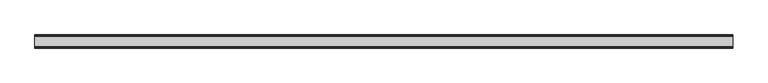
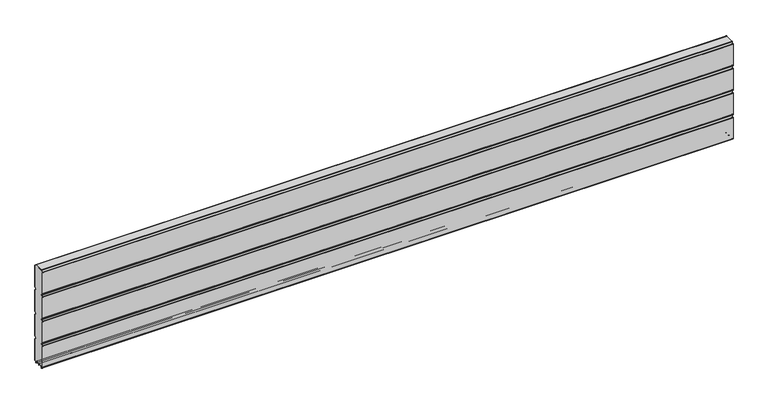
"""IFC4 building model written with IfcOpenShell, lengths in millimetres: plate geometry."""

from ifc_helpers import new_model, si_unit, point, frame, frame_2d, origin, place, context, project, spatial, polyline, circle_curve, trimmed, segment, composite_curve, outline, extrude, source, transform, mapped, element, save


def plate_d22e9f20(model_context):
    return source(origin(), model_context, "Body", "SweptSolid", [
        extrude(outline(composite_curve([segment(polyline([(-29.2650466, 451.7624879), (-35.7138292, 458.2112702)]), True, "CONTINUOUS"), segment(trimmed(circle_curve(frame_2d((-34.2991913, 459.6259081)), 2.0006001), [point((-35.7138292, 458.2112702))], [point((-36.2997914, 459.6259081))], False, "CARTESIAN"), True, "CONTINUOUS"), segment(polyline([(-36.2997914, 459.6259081), (-36.2997914, 588.874925)]), True, "CONTINUOUS"), segment(trimmed(circle_curve(frame_2d((-34.3025404, 588.8763112)), 1.9972515), [point((-36.2997914, 588.874925))], [point((-35.7145328, 590.2888589))], False, "CARTESIAN"), True, "CONTINUOUS"), segment(polyline([(-35.7145328, 590.2888589), (-27.7860861, 598.2141893)]), True, "CONTINUOUS"), segment(trimmed(circle_curve(frame_2d((-26.3717262, 596.7992733)), 2.0006002), [point((-27.7860861, 598.2141893))], [point((-26.3717262, 598.7998734))], False, "CARTESIAN"), True, "CONTINUOUS"), segment(polyline([(-26.3717262, 598.7998734), (26.3717262, 598.7998734)]), True, "CONTINUOUS"), segment(trimmed(circle_curve(frame_2d((26.3717262, 596.7992733)), 2.0006002), [point((26.3717262, 598.7998734))], [point((27.7860861, 598.2141893))], False, "CARTESIAN"), True, "CONTINUOUS"), segment(polyline([(27.7860861, 598.2141893), (35.7145328, 590.2888589)]), True, "CONTINUOUS"), segment(trimmed(circle_curve(frame_2d((34.3025404, 588.8763112)), 1.9972515), [point((35.7145328, 590.2888589))], [point((36.2997914, 588.874925))], False, "CARTESIAN"), True, "CONTINUOUS"), segment(polyline([(36.2997914, 588.874925), (36.2997914, 459.6259081)]), True, "CONTINUOUS"), segment(trimmed(circle_curve(frame_2d((34.2991913, 459.6259081)), 2.0006001), [point((36.2997914, 459.6259081))], [point((35.7138292, 458.2112702))], False, "CARTESIAN"), True, "CONTINUOUS"), segment(polyline([(35.7138292, 458.2112702), (29.2650466, 451.7624879)]), True, "CONTINUOUS"), segment(trimmed(circle_curve(frame_2d((31.5325895, 449.4949449)), 3.20679), [point((29.2650466, 451.7624879))], [point((29.114664, 447.3884934))], True, "CARTESIAN"), True, "CONTINUOUS"), segment(polyline([(29.114664, 447.3884934), (35.7138291, 440.7893285)]), True, "CONTINUOUS"), segment(trimmed(circle_curve(frame_2d((34.2991912, 439.3746906)), 2.0006001), [point((35.7138291, 440.7893285))], [point((36.2997913, 439.3746906))], False, "CARTESIAN"), True, "CONTINUOUS"), segment(polyline([(36.2997913, 439.3746906), (36.2997913, 309.6259081)]), True, "CONTINUOUS"), segment(trimmed(circle_curve(frame_2d((34.2991912, 309.6259081)), 2.0006001), [point((36.2997913, 309.6259081))], [point((35.7138291, 308.2112702))], False, "CARTESIAN"), True, "CONTINUOUS"), segment(polyline([(35.7138291, 308.2112702), (29.2650466, 301.7624879)]), True, "CONTINUOUS"), segment(trimmed(circle_curve(frame_2d((31.5325895, 299.4949449)), 3.20679), [point((29.2650466, 301.7624879))], [point((29.4261379, 297.0770195))], True, "CARTESIAN"), True, "CONTINUOUS"), segment(polyline([(29.4261379, 297.0770195), (35.7138291, 290.7893285)]), True, "CONTINUOUS"), segment(trimmed(circle_curve(frame_2d((34.2991912, 289.3746906)), 2.0006001), [point((35.7138291, 290.7893285))], [point((36.2997913, 289.3746906))], False, "CARTESIAN"), True, "CONTINUOUS"), segment(polyline([(36.2997913, 289.3746906), (36.2997913, 159.6246474)]), True, "CONTINUOUS"), segment(trimmed(circle_curve(frame_2d((34.2991912, 159.6246474)), 2.0006001), [point((36.2997913, 159.6246474))], [point((35.7138291, 158.2100095))], False, "CARTESIAN"), True, "CONTINUOUS"), segment(polyline([(35.7138291, 158.2100095), (29.2650466, 151.7612271)]), True, "CONTINUOUS"), segment(trimmed(circle_curve(frame_2d((31.5325895, 149.4936842)), 3.20679), [point((29.2650466, 151.7612271))], [point((29.114664, 147.3872326))], True, "CARTESIAN"), True, "CONTINUOUS"), segment(polyline([(29.114664, 147.3872326), (35.7138292, 140.7880678)]), True, "CONTINUOUS"), segment(trimmed(circle_curve(frame_2d((34.2991912, 139.3734299)), 2.0006001), [point((35.7138292, 140.7880678))], [point((36.2997914, 139.3734299))], False, "CARTESIAN"), True, "CONTINUOUS"), segment(polyline([(36.2997914, 139.3734299), (36.2997914, 10.1250796)]), True, "CONTINUOUS"), segment(trimmed(circle_curve(frame_2d((34.299192, 10.1250796)), 2.0005994), [point((36.2997914, 10.1250796))], [point((35.7138294, 8.7104422))], False, "CARTESIAN"), True, "CONTINUOUS"), segment(polyline([(35.7138294, 8.7104422), (28.7893255, 1.7859383)]), True, "CONTINUOUS"), segment(trimmed(circle_curve(frame_2d((27.3158157, 3.2594482)), 2.0838576), [point((28.7893255, 1.7859383))], [point((25.2327947, 3.2004014))], False, "CARTESIAN"), True, "CONTINUOUS"), segment(polyline([(25.2327947, 3.2004014), (25.2327947, 7.9999453)]), True, "CONTINUOUS"), segment(trimmed(circle_curve(frame_2d((22.0323933, 7.9999453)), 3.2004014), [point((25.2327947, 7.9999453))], [point((22.0323933, 11.2003467))], True, "CARTESIAN"), True, "CONTINUOUS"), segment(polyline([(22.0323933, 11.2003467), (3.1993432, 11.2003467)]), True, "CONTINUOUS"), segment(trimmed(circle_curve(frame_2d((3.1993432, 8.0010035)), 3.1993432), [point((3.1993432, 11.2003467))], [point((0.0, 8.0010035))], True, "CARTESIAN"), True, "CONTINUOUS"), segment(trimmed(circle_curve(frame_2d((-3.1993432, 8.0010035)), 3.1993432), [point((0.0, 8.0010035))], [point((-3.1993432, 11.2003467))], True, "CARTESIAN"), True, "CONTINUOUS"), segment(polyline([(-3.1993432, 11.2003467), (-22.0323933, 11.2003467)]), True, "CONTINUOUS"), segment(trimmed(circle_curve(frame_2d((-22.0323933, 7.9999453)), 3.2004014), [point((-22.0323933, 11.2003467))], [point((-25.2327947, 7.9999453))], True, "CARTESIAN"), True, "CONTINUOUS"), segment(polyline([(-25.2327947, 7.9999453), (-25.2327947, 3.2004014)]), True, "CONTINUOUS"), segment(trimmed(circle_curve(frame_2d((-27.3158157, 3.2594482)), 2.0838576), [point((-25.2327947, 3.2004014))], [point((-28.7893255, 1.7859383))], False, "CARTESIAN"), True, "CONTINUOUS"), segment(polyline([(-28.7893255, 1.7859383), (-35.7138294, 8.7104422)]), True, "CONTINUOUS"), segment(trimmed(circle_curve(frame_2d((-34.299192, 10.1250796)), 2.0005994), [point((-35.7138294, 8.7104422))], [point((-36.2997914, 10.1250796))], False, "CARTESIAN"), True, "CONTINUOUS"), segment(polyline([(-36.2997914, 10.1250796), (-36.2997914, 139.3734299)]), True, "CONTINUOUS"), segment(trimmed(circle_curve(frame_2d((-34.2991912, 139.3734299)), 2.0006001), [point((-36.2997914, 139.3734299))], [point((-35.7138292, 140.7880678))], False, "CARTESIAN"), True, "CONTINUOUS"), segment(polyline([(-35.7138292, 140.7880678), (-29.114664, 147.3872326)]), True, "CONTINUOUS"), segment(trimmed(circle_curve(frame_2d((-31.5325895, 149.4936842)), 3.20679), [point((-29.114664, 147.3872326))], [point((-29.2650466, 151.7612271))], True, "CARTESIAN"), True, "CONTINUOUS"), segment(polyline([(-29.2650466, 151.7612271), (-35.7138291, 158.2100095)]), True, "CONTINUOUS"), segment(trimmed(circle_curve(frame_2d((-34.2991912, 159.6246474)), 2.0006001), [point((-35.7138291, 158.2100095))], [point((-36.2997913, 159.6246474))], False, "CARTESIAN"), True, "CONTINUOUS"), segment(polyline([(-36.2997913, 159.6246474), (-36.2997913, 289.3746906)]), True, "CONTINUOUS"), segment(trimmed(circle_curve(frame_2d((-34.2991912, 289.3746906)), 2.0006001), [point((-36.2997913, 289.3746906))], [point((-35.7138291, 290.7893285))], False, "CARTESIAN"), True, "CONTINUOUS"), segment(polyline([(-35.7138291, 290.7893285), (-29.4261379, 297.0770195)]), True, "CONTINUOUS"), segment(trimmed(circle_curve(frame_2d((-31.5325895, 299.4949449)), 3.20679), [point((-29.4261379, 297.0770195))], [point((-29.2650466, 301.7624879))], True, "CARTESIAN"), True, "CONTINUOUS"), segment(polyline([(-29.2650466, 301.7624879), (-35.7138291, 308.2112702)]), True, "CONTINUOUS"), segment(trimmed(circle_curve(frame_2d((-34.2991912, 309.6259081)), 2.0006001), [point((-35.7138291, 308.2112702))], [point((-36.2997913, 309.6259081))], False, "CARTESIAN"), True, "CONTINUOUS"), segment(polyline([(-36.2997913, 309.6259081), (-36.2997913, 439.3746906)]), True, "CONTINUOUS"), segment(trimmed(circle_curve(frame_2d((-34.2991912, 439.3746906)), 2.0006001), [point((-36.2997913, 439.3746906))], [point((-35.7138291, 440.7893285))], False, "CARTESIAN"), True, "CONTINUOUS"), segment(polyline([(-35.7138291, 440.7893285), (-29.114664, 447.3884934)]), True, "CONTINUOUS"), segment(trimmed(circle_curve(frame_2d((-31.5325895, 449.4949449)), 3.20679), [point((-29.114664, 447.3884934))], [point((-29.2650466, 451.7624879))], True, "CARTESIAN"), True, "CONTINUOUS")], self_intersect=False)), frame((-2000.0, 0.0, 0.0), z_axis=(1.0, 0.0, 0.0), x_axis=(0.0, 1.0, 0.0)), (0.0, 0.0, 1.0), 4000.0),
        extrude(outline(composite_curve([segment(trimmed(circle_curve(frame_2d((-34.299418, 588.8742584)), 3.200524), [point((-37.499942, 588.8742584))], [point((-36.5622582, 591.1376426))], False, "CARTESIAN"), True, "CONTINUOUS"), segment(polyline([(-36.5622582, 591.1376426), (-28.6355395, 599.0624563)]), True, "CONTINUOUS"), segment(trimmed(circle_curve(frame_2d((-26.3720296, 596.7984023)), 3.2014711), [point((-28.6355395, 599.0624563))], [point((-26.3720296, 599.9998734))], False, "CARTESIAN"), True, "CONTINUOUS"), segment(polyline([(-26.3720296, 599.9998734), (26.3720296, 599.9998734)]), True, "CONTINUOUS"), segment(trimmed(circle_curve(frame_2d((26.3720296, 596.7984023)), 3.2014711), [point((26.3720296, 599.9998734))], [point((28.6355395, 599.0624563))], False, "CARTESIAN"), True, "CONTINUOUS"), segment(polyline([(28.6355395, 599.0624563), (36.5622582, 591.1376426)]), True, "CONTINUOUS"), segment(trimmed(circle_curve(frame_2d((34.299418, 588.8742584)), 3.200524), [point((36.5622582, 591.1376426))], [point((37.499942, 588.8742584))], False, "CARTESIAN"), True, "CONTINUOUS"), segment(polyline([(37.499942, 588.8742584), (37.499942, 459.6259081)]), True, "CONTINUOUS"), segment(trimmed(circle_curve(frame_2d((34.3010265, 459.6259081)), 3.1989155), [point((37.499942, 459.6259081))], [point((36.5630013, 457.3639333))], False, "CARTESIAN"), True, "CONTINUOUS"), segment(polyline([(36.5630013, 457.3639333), (30.1138303, 450.9147625)]), True, "CONTINUOUS"), segment(trimmed(circle_curve(frame_2d((31.5282934, 449.5002993)), 2.000353), [point((30.1138303, 450.9147625))], [point((30.1138303, 448.0858362))], True, "CARTESIAN"), True, "CONTINUOUS"), segment(polyline([(30.1138303, 448.0858362), (36.5630013, 441.6366654)]), True, "CONTINUOUS"), segment(trimmed(circle_curve(frame_2d((34.3010265, 439.3746906)), 3.1989154), [point((36.5630013, 441.6366654))], [point((37.4999419, 439.3746906))], False, "CARTESIAN"), True, "CONTINUOUS"), segment(polyline([(37.4999419, 439.3746906), (37.4999419, 309.6259081)]), True, "CONTINUOUS"), segment(trimmed(circle_curve(frame_2d((34.3010265, 309.6259081)), 3.1989154), [point((37.4999419, 309.6259081))], [point((36.5630013, 307.3639333))], False, "CARTESIAN"), True, "CONTINUOUS"), segment(polyline([(36.5630013, 307.3639333), (30.1138303, 300.9147625)]), True, "CONTINUOUS"), segment(trimmed(circle_curve(frame_2d((31.5282934, 299.5002993)), 2.000353), [point((30.1138303, 300.9147625))], [point((30.1138303, 298.0858362))], True, "CARTESIAN"), True, "CONTINUOUS"), segment(polyline([(30.1138303, 298.0858362), (36.5630013, 291.6366654)]), True, "CONTINUOUS"), segment(trimmed(circle_curve(frame_2d((34.3010265, 289.3746906)), 3.1989154), [point((36.5630013, 291.6366654))], [point((37.4999419, 289.3746906))], False, "CARTESIAN"), True, "CONTINUOUS"), segment(polyline([(37.4999419, 289.3746906), (37.4999419, 159.6246474)]), True, "CONTINUOUS"), segment(trimmed(circle_curve(frame_2d((34.3010265, 159.6246474)), 3.1989154), [point((37.4999419, 159.6246474))], [point((36.5630013, 157.3626726))], False, "CARTESIAN"), True, "CONTINUOUS"), segment(polyline([(36.5630013, 157.3626726), (30.1138303, 150.9135018)]), True, "CONTINUOUS"), segment(trimmed(circle_curve(frame_2d((31.5282934, 149.4990386)), 2.000353), [point((30.1138303, 150.9135018))], [point((30.1138303, 148.0845755))], True, "CARTESIAN"), True, "CONTINUOUS"), segment(polyline([(30.1138303, 148.0845755), (36.5630013, 141.6354046)]), True, "CONTINUOUS"), segment(trimmed(circle_curve(frame_2d((34.3010265, 139.3734298)), 3.1989154), [point((36.5630013, 141.6354046))], [point((37.4999419, 139.3734298))], False, "CARTESIAN"), True, "CONTINUOUS"), segment(polyline([(37.4999419, 139.3734298), (37.4999419, 10.1250796)]), True, "CONTINUOUS"), segment(trimmed(circle_curve(frame_2d((34.3010265, 10.1250796)), 3.1989154), [point((37.4999419, 10.1250796))], [point((36.5630004, 7.8631039))], False, "CARTESIAN"), True, "CONTINUOUS"), segment(polyline([(36.5630004, 7.8631039), (29.6332576, 0.9333666)]), True, "CONTINUOUS"), segment(trimmed(circle_curve(frame_2d((27.311397, 3.255229)), 3.283608), [point((29.6332576, 0.9333666))], [point((24.0283217, 3.1960843))], False, "CARTESIAN"), True, "CONTINUOUS"), segment(polyline([(24.0283217, 3.1960843), (24.0326442, 7.9999453)]), True, "CONTINUOUS"), segment(trimmed(circle_curve(frame_2d((22.0341915, 8.0017435)), 1.9984535), [point((24.0326442, 7.9999453))], [point((22.0323933, 10.0001962))], True, "CARTESIAN"), True, "CONTINUOUS"), segment(polyline([(22.0323933, 10.0001962), (3.1993432, 10.0001962)]), True, "CONTINUOUS"), segment(trimmed(circle_curve(frame_2d((3.1993432, 8.0010035)), 1.9991927), [point((3.1993432, 10.0001962))], [point((1.2001505, 8.0010035))], True, "CARTESIAN"), True, "CONTINUOUS"), segment(polyline([(1.2001505, 8.0010035), (1.2001504, 0.0), (0.0, 0.0), (-1.2001504, 0.0), (-1.2001504, 8.0010034)]), True, "CONTINUOUS"), segment(trimmed(circle_curve(frame_2d((-3.1993432, 8.0010035)), 1.9991928), [point((-1.2001504, 8.0010034))], [point((-3.1993432, 10.0001963))], True, "CARTESIAN"), True, "CONTINUOUS"), segment(polyline([(-3.1993432, 10.0001963), (-22.0323933, 10.0001962)]), True, "CONTINUOUS"), segment(trimmed(circle_curve(frame_2d((-22.0341915, 8.0017435)), 1.9984535), [point((-22.0323933, 10.0001962))], [point((-24.0326442, 7.9999453))], True, "CARTESIAN"), True, "CONTINUOUS"), segment(polyline([(-24.0326442, 7.9999453), (-24.0283217, 3.1960843)]), True, "CONTINUOUS"), segment(trimmed(circle_curve(frame_2d((-27.311397, 3.255229)), 3.283608), [point((-24.0283217, 3.1960843))], [point((-29.6332576, 0.9333666))], False, "CARTESIAN"), True, "CONTINUOUS"), segment(polyline([(-29.6332576, 0.9333666), (-36.5630004, 7.8631039)]), True, "CONTINUOUS"), segment(trimmed(circle_curve(frame_2d((-34.3010265, 10.1250796)), 3.1989154), [point((-36.5630004, 7.8631039))], [point((-37.4999419, 10.1250796))], False, "CARTESIAN"), True, "CONTINUOUS"), segment(polyline([(-37.4999419, 10.1250796), (-37.4999419, 139.3734298)]), True, "CONTINUOUS"), segment(trimmed(circle_curve(frame_2d((-34.3010265, 139.3734298)), 3.1989154), [point((-37.4999419, 139.3734298))], [point((-36.5630013, 141.6354046))], False, "CARTESIAN"), True, "CONTINUOUS"), segment(polyline([(-36.5630013, 141.6354046), (-30.1138303, 148.0845755)]), True, "CONTINUOUS"), segment(trimmed(circle_curve(frame_2d((-31.5282934, 149.4990386)), 2.000353), [point((-30.1138303, 148.0845755))], [point((-30.1138303, 150.9135018))], True, "CARTESIAN"), True, "CONTINUOUS"), segment(polyline([(-30.1138303, 150.9135018), (-36.5630013, 157.3626726)]), True, "CONTINUOUS"), segment(trimmed(circle_curve(frame_2d((-34.3010265, 159.6246474)), 3.1989154), [point((-36.5630013, 157.3626726))], [point((-37.4999419, 159.6246474))], False, "CARTESIAN"), True, "CONTINUOUS"), segment(polyline([(-37.4999419, 159.6246474), (-37.4999419, 289.3746906)]), True, "CONTINUOUS"), segment(trimmed(circle_curve(frame_2d((-34.3010265, 289.3746906)), 3.1989154), [point((-37.4999419, 289.3746906))], [point((-36.5630013, 291.6366653))], False, "CARTESIAN"), True, "CONTINUOUS"), segment(polyline([(-36.5630013, 291.6366653), (-30.1138303, 298.0858362)]), True, "CONTINUOUS"), segment(trimmed(circle_curve(frame_2d((-31.5282934, 299.5002993)), 2.000353), [point((-30.1138303, 298.0858362))], [point((-30.1138303, 300.9147625))], True, "CARTESIAN"), True, "CONTINUOUS"), segment(polyline([(-30.1138303, 300.9147625), (-36.5630013, 307.3639333)]), True, "CONTINUOUS"), segment(trimmed(circle_curve(frame_2d((-34.3010265, 309.6259081)), 3.1989154), [point((-36.5630013, 307.3639333))], [point((-37.4999419, 309.6259081))], False, "CARTESIAN"), True, "CONTINUOUS"), segment(polyline([(-37.4999419, 309.6259081), (-37.4999419, 439.3746906)]), True, "CONTINUOUS"), segment(trimmed(circle_curve(frame_2d((-34.3010265, 439.3746906)), 3.1989154), [point((-37.4999419, 439.3746906))], [point((-36.5630013, 441.6366653))], False, "CARTESIAN"), True, "CONTINUOUS"), segment(polyline([(-36.5630013, 441.6366653), (-30.1138303, 448.0858362)]), True, "CONTINUOUS"), segment(trimmed(circle_curve(frame_2d((-31.5282934, 449.5002993)), 2.000353), [point((-30.1138303, 448.0858362))], [point((-30.1138303, 450.9147625))], True, "CARTESIAN"), True, "CONTINUOUS"), segment(polyline([(-30.1138303, 450.9147625), (-36.5630013, 457.3639333)]), True, "CONTINUOUS"), segment(trimmed(circle_curve(frame_2d((-34.3010265, 459.6259081)), 3.1989155), [point((-36.5630013, 457.3639333))], [point((-37.499942, 459.6259081))], False, "CARTESIAN"), True, "CONTINUOUS"), segment(polyline([(-37.499942, 459.6259081), (-37.499942, 588.8742584)]), True, "CONTINUOUS")], self_intersect=False), holes=[composite_curve([segment(trimmed(circle_curve(frame_2d((-31.5325895, 449.4949449)), 3.20679), [point((-29.2650466, 451.7624879))], [point((-29.114664, 447.3884934))], False, "CARTESIAN"), True, "CONTINUOUS"), segment(polyline([(-29.114664, 447.3884934), (-35.7138291, 440.7893285)]), True, "CONTINUOUS"), segment(trimmed(circle_curve(frame_2d((-34.2991912, 439.3746906)), 2.0006001), [point((-35.7138291, 440.7893285))], [point((-36.2997913, 439.3746906))], True, "CARTESIAN"), True, "CONTINUOUS"), segment(polyline([(-36.2997913, 439.3746906), (-36.2997913, 309.6259081)]), True, "CONTINUOUS"), segment(trimmed(circle_curve(frame_2d((-34.2991912, 309.6259081)), 2.0006001), [point((-36.2997913, 309.6259081))], [point((-35.7138291, 308.2112702))], True, "CARTESIAN"), True, "CONTINUOUS"), segment(polyline([(-35.7138291, 308.2112702), (-29.2650466, 301.7624879)]), True, "CONTINUOUS"), segment(trimmed(circle_curve(frame_2d((-31.5325895, 299.4949449)), 3.20679), [point((-29.2650466, 301.7624879))], [point((-29.4261379, 297.0770195))], False, "CARTESIAN"), True, "CONTINUOUS"), segment(polyline([(-29.4261379, 297.0770195), (-35.7138291, 290.7893285)]), True, "CONTINUOUS"), segment(trimmed(circle_curve(frame_2d((-34.2991912, 289.3746906)), 2.0006001), [point((-35.7138291, 290.7893285))], [point((-36.2997913, 289.3746906))], True, "CARTESIAN"), True, "CONTINUOUS"), segment(polyline([(-36.2997913, 289.3746906), (-36.2997913, 159.6246474)]), True, "CONTINUOUS"), segment(trimmed(circle_curve(frame_2d((-34.2991912, 159.6246474)), 2.0006001), [point((-36.2997913, 159.6246474))], [point((-35.7138291, 158.2100095))], True, "CARTESIAN"), True, "CONTINUOUS"), segment(polyline([(-35.7138291, 158.2100095), (-29.2650466, 151.7612271)]), True, "CONTINUOUS"), segment(trimmed(circle_curve(frame_2d((-31.5325895, 149.4936842)), 3.20679), [point((-29.2650466, 151.7612271))], [point((-29.114664, 147.3872326))], False, "CARTESIAN"), True, "CONTINUOUS"), segment(polyline([(-29.114664, 147.3872326), (-35.7138292, 140.7880677)]), True, "CONTINUOUS"), segment(trimmed(circle_curve(frame_2d((-34.2991912, 139.3734298)), 2.0006001), [point((-35.7138292, 140.7880677))], [point((-36.2997914, 139.3734298))], True, "CARTESIAN"), True, "CONTINUOUS"), segment(polyline([(-36.2997914, 139.3734298), (-36.2997914, 10.1250796)]), True, "CONTINUOUS"), segment(trimmed(circle_curve(frame_2d((-34.299192, 10.1250796)), 2.0005994), [point((-36.2997914, 10.1250796))], [point((-35.7138294, 8.7104422))], True, "CARTESIAN"), True, "CONTINUOUS"), segment(polyline([(-35.7138294, 8.7104422), (-28.7893255, 1.7859383)]), True, "CONTINUOUS"), segment(trimmed(circle_curve(frame_2d((-27.3158157, 3.2594482)), 2.0838576), [point((-28.7893255, 1.7859383))], [point((-25.2327947, 3.2004014))], True, "CARTESIAN"), True, "CONTINUOUS"), segment(polyline([(-25.2327947, 3.2004014), (-25.2327947, 7.9999453)]), True, "CONTINUOUS"), segment(trimmed(circle_curve(frame_2d((-22.0323933, 7.9999453)), 3.2004014), [point((-25.2327947, 7.9999453))], [point((-22.0323933, 11.2003467))], False, "CARTESIAN"), True, "CONTINUOUS"), segment(polyline([(-22.0323933, 11.2003467), (-3.1993432, 11.2003467)]), True, "CONTINUOUS"), segment(trimmed(circle_curve(frame_2d((-3.1993432, 8.0010035)), 3.1993432), [point((-3.1993432, 11.2003467))], [point((0.0, 8.0010035))], False, "CARTESIAN"), True, "CONTINUOUS"), segment(trimmed(circle_curve(frame_2d((3.1993432, 8.0010035)), 3.1993432), [point((0.0, 8.0010035))], [point((3.1993432, 11.2003467))], False, "CARTESIAN"), True, "CONTINUOUS"), segment(polyline([(3.1993432, 11.2003467), (22.0323933, 11.2003467)]), True, "CONTINUOUS"), segment(trimmed(circle_curve(frame_2d((22.0323933, 7.9999453)), 3.2004014), [point((22.0323933, 11.2003467))], [point((25.2327947, 7.9999453))], False, "CARTESIAN"), True, "CONTINUOUS"), segment(polyline([(25.2327947, 7.9999453), (25.2327947, 3.2004014)]), True, "CONTINUOUS"), segment(trimmed(circle_curve(frame_2d((27.3158157, 3.2594482)), 2.0838576), [point((25.2327947, 3.2004014))], [point((28.7893255, 1.7859383))], True, "CARTESIAN"), True, "CONTINUOUS"), segment(polyline([(28.7893255, 1.7859383), (35.7138294, 8.7104422)]), True, "CONTINUOUS"), segment(trimmed(circle_curve(frame_2d((34.299192, 10.1250796)), 2.0005994), [point((35.7138294, 8.7104422))], [point((36.2997914, 10.1250796))], True, "CARTESIAN"), True, "CONTINUOUS"), segment(polyline([(36.2997914, 10.1250796), (36.2997914, 139.3734298)]), True, "CONTINUOUS"), segment(trimmed(circle_curve(frame_2d((34.2991912, 139.3734298)), 2.0006001), [point((36.2997914, 139.3734298))], [point((35.7138292, 140.7880678))], True, "CARTESIAN"), True, "CONTINUOUS"), segment(polyline([(35.7138292, 140.7880678), (29.114664, 147.3872326)]), True, "CONTINUOUS"), segment(trimmed(circle_curve(frame_2d((31.5325895, 149.4936842)), 3.20679), [point((29.114664, 147.3872326))], [point((29.2650466, 151.7612271))], False, "CARTESIAN"), True, "CONTINUOUS"), segment(polyline([(29.2650466, 151.7612271), (35.7138291, 158.2100095)]), True, "CONTINUOUS"), segment(trimmed(circle_curve(frame_2d((34.2991912, 159.6246474)), 2.0006001), [point((35.7138291, 158.2100095))], [point((36.2997913, 159.6246474))], True, "CARTESIAN"), True, "CONTINUOUS"), segment(polyline([(36.2997913, 159.6246474), (36.2997913, 289.3746906)]), True, "CONTINUOUS"), segment(trimmed(circle_curve(frame_2d((34.2991912, 289.3746906)), 2.0006001), [point((36.2997913, 289.3746906))], [point((35.7138291, 290.7893285))], True, "CARTESIAN"), True, "CONTINUOUS"), segment(polyline([(35.7138291, 290.7893285), (29.4261379, 297.0770195)]), True, "CONTINUOUS"), segment(trimmed(circle_curve(frame_2d((31.5325895, 299.4949449)), 3.20679), [point((29.4261379, 297.0770195))], [point((29.2650466, 301.7624879))], False, "CARTESIAN"), True, "CONTINUOUS"), segment(polyline([(29.2650466, 301.7624879), (35.7138291, 308.2112702)]), True, "CONTINUOUS"), segment(trimmed(circle_curve(frame_2d((34.2991912, 309.6259081)), 2.0006001), [point((35.7138291, 308.2112702))], [point((36.2997913, 309.6259081))], True, "CARTESIAN"), True, "CONTINUOUS"), segment(polyline([(36.2997913, 309.6259081), (36.2997913, 439.3746906)]), True, "CONTINUOUS"), segment(trimmed(circle_curve(frame_2d((34.2991912, 439.3746906)), 2.0006001), [point((36.2997913, 439.3746906))], [point((35.7138291, 440.7893285))], True, "CARTESIAN"), True, "CONTINUOUS"), segment(polyline([(35.7138291, 440.7893285), (29.114664, 447.3884934)]), True, "CONTINUOUS"), segment(trimmed(circle_curve(frame_2d((31.5325895, 449.4949449)), 3.20679), [point((29.114664, 447.3884934))], [point((29.2650466, 451.7624879))], False, "CARTESIAN"), True, "CONTINUOUS"), segment(polyline([(29.2650466, 451.7624879), (35.7138292, 458.2112702)]), True, "CONTINUOUS"), segment(trimmed(circle_curve(frame_2d((34.2991913, 459.6259081)), 2.0006001), [point((35.7138292, 458.2112702))], [point((36.2997914, 459.6259081))], True, "CARTESIAN"), True, "CONTINUOUS"), segment(polyline([(36.2997914, 459.6259081), (36.2997914, 588.874925)]), True, "CONTINUOUS"), segment(trimmed(circle_curve(frame_2d((34.3025404, 588.8763112)), 1.9972515), [point((36.2997914, 588.874925))], [point((35.7145328, 590.2888589))], True, "CARTESIAN"), True, "CONTINUOUS"), segment(polyline([(35.7145328, 590.2888589), (27.7860861, 598.2141893)]), True, "CONTINUOUS"), segment(trimmed(circle_curve(frame_2d((26.3717262, 596.7992733)), 2.0006002), [point((27.7860861, 598.2141893))], [point((26.3717262, 598.7998734))], True, "CARTESIAN"), True, "CONTINUOUS"), segment(polyline([(26.3717262, 598.7998734), (-26.3717262, 598.7998734)]), True, "CONTINUOUS"), segment(trimmed(circle_curve(frame_2d((-26.3717262, 596.7992733)), 2.0006002), [point((-26.3717262, 598.7998734))], [point((-27.7860861, 598.2141893))], True, "CARTESIAN"), True, "CONTINUOUS"), segment(polyline([(-27.7860861, 598.2141893), (-35.7145328, 590.2888589)]), True, "CONTINUOUS"), segment(trimmed(circle_curve(frame_2d((-34.3025404, 588.8763112)), 1.9972515), [point((-35.7145328, 590.2888589))], [point((-36.2997914, 588.874925))], True, "CARTESIAN"), True, "CONTINUOUS"), segment(polyline([(-36.2997914, 588.874925), (-36.2997914, 459.6259081)]), True, "CONTINUOUS"), segment(trimmed(circle_curve(frame_2d((-34.2991913, 459.6259081)), 2.0006001), [point((-36.2997914, 459.6259081))], [point((-35.7138292, 458.2112702))], True, "CARTESIAN"), True, "CONTINUOUS"), segment(polyline([(-35.7138292, 458.2112702), (-29.2650466, 451.7624879)]), True, "CONTINUOUS")], self_intersect=False)]), frame((-2000.0, 0.0, 0.0), z_axis=(1.0, 0.0, 0.0), x_axis=(0.0, 1.0, 0.0)), (0.0, 0.0, 1.0), 4000.0),
    ])


if __name__ == "__main__":
    model = new_model("IFC4")
    model_context = context("Model", 3, world=origin())
    ifc_project = project(units=[si_unit("LENGTHUNIT", "METRE", prefix="MILLI")], contexts=[model_context])
    site = spatial("IfcSite", under=ifc_project)
    building = spatial("IfcBuilding", under=site)
    placement = place(None, origin())
    plate_shape = plate_d22e9f20(model_context)
    element("IfcPlate", 1, at=placement, inside=building, context=model_context, shape_type="MappedRepresentation", body=[
        mapped(plate_shape, transform((0.0, 0.0, 0.0), x_axis=(1.0, 0.0, 0.0), y_axis=(0.0, 1.0, 0.0), z_axis=(0.0, 0.0, 1.0))),
    ])
    save(model, "model.ifc")
